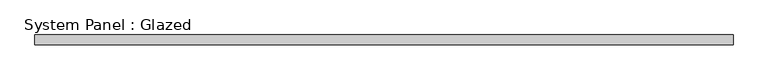
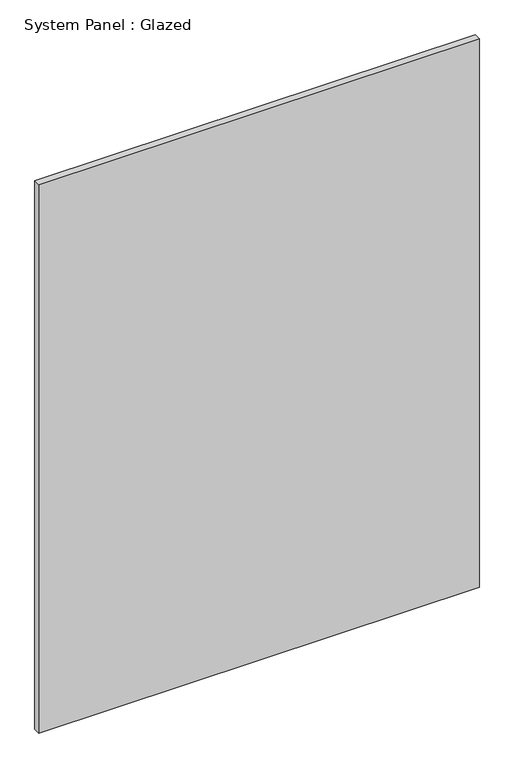
"""IFC4 building model written with IfcOpenShell, lengths in millimetres: plate geometry, System Panel : Glazed."""

import ifcopenshell
import ifcopenshell.guid

model = None  # the IFC model being written
_history = None  # IfcOwnerHistory: only IFC2X3 demands one
_inside = {}  # id of a spatial element -> (the spatial element, [elements in it])
_under = {}  # id of a project, library or spatial element -> (it, [spatial elements below it])
_declared = {}  # id of a project -> (the project, [libraries it declares])
_typed = {}  # id of a type object -> (the type object, [elements of that type])
_made_of = {}  # id of a material, layer set ... -> (it, [elements and type objects made of it])


def new_model(schema):
    """Start an empty IFC model of exactly this schema.

    Asked for "IFC4X3", IfcOpenShell would pick the latest addendum, in which some entities
    have other attributes; the version numbers below select the first issue.
    IFC2X3 requires an IfcOwnerHistory on every rooted entity: one is made here for all.
    """
    global model, _history
    if schema == "IFC4X3":
        model = ifcopenshell.file(schema_version=(4, 3, 0, 0))
    else:
        model = ifcopenshell.file(schema=schema)
    _inside.clear()
    _under.clear()
    _declared.clear()
    _typed.clear()
    _made_of.clear()
    _history = None
    if model.schema == "IFC2X3":
        org = make("IfcOrganization", Name="unknown")
        user = make(
            "IfcPersonAndOrganization",
            ThePerson=make("IfcPerson", FamilyName="unknown"),
            TheOrganization=org,
        )
        app = make(
            "IfcApplication",
            ApplicationDeveloper=org,
            Version="unknown",
            ApplicationFullName="unknown",
            ApplicationIdentifier="unknown",
        )
        _history = make(
            "IfcOwnerHistory",
            OwningUser=user,
            OwningApplication=app,
            ChangeAction="ADDED",
            CreationDate=0,
        )
    return model


def make(cls, **values):
    """One entity of the class cls with the attributes given. An attribute that is None is left unset."""
    return model.create_entity(
        cls, **{name: value for name, value in values.items() if value is not None}
    )


def rooted(cls, **values):
    """An entity with a GlobalId (a new one), such as an element, a storey or a relation."""
    return make(cls, GlobalId=ifcopenshell.guid.new(), OwnerHistory=_history, **values)


def si_unit(unit_type, name, prefix=None):
    """IfcSIUnit, for example si_unit("LENGTHUNIT", "METRE", prefix="MILLI")."""
    return make("IfcSIUnit", UnitType=unit_type, Prefix=prefix, Name=name)


def assignment(units):
    """IfcUnitAssignment: the units of a project."""
    return None if units is None else make("IfcUnitAssignment", Units=units)


def point(xyz):
    """IfcCartesianPoint."""
    return None if xyz is None else make("IfcCartesianPoint", Coordinates=xyz)


def direction(xyz):
    """IfcDirection."""
    return None if xyz is None else make("IfcDirection", DirectionRatios=xyz)


def frame(location, z_axis=None, x_axis=None):
    """IfcAxis2Placement3D, a coordinate frame: its origin and axes. An axis left out is left unset."""
    return make(
        "IfcAxis2Placement3D",
        Location=point(location),
        Axis=direction(z_axis),
        RefDirection=direction(x_axis),
    )


def origin():
    """The frame at (0, 0, 0) with its axes left unset."""
    return frame((0.0, 0.0, 0.0))


def origin_with_axes():
    """The frame at (0, 0, 0) with the z axis (0, 0, 1) and the x axis (1, 0, 0) written out."""
    return frame((0.0, 0.0, 0.0), z_axis=(0.0, 0.0, 1.0), x_axis=(1.0, 0.0, 0.0))


def place(relative_to, where):
    """IfcLocalPlacement: puts the frame where relative to a parent placement (None: the world)."""
    return make(
        "IfcLocalPlacement", PlacementRelTo=relative_to, RelativePlacement=where
    )


def context(
    kind, dimensions, precision=None, world=None, true_north=None, identifier=None
):
    """IfcGeometricRepresentationContext, for example the 3D "Model" context."""
    return make(
        "IfcGeometricRepresentationContext",
        ContextIdentifier=identifier,
        ContextType=kind,
        CoordinateSpaceDimension=dimensions,
        Precision=precision,
        WorldCoordinateSystem=world,
        TrueNorth=true_north,
    )


def project(units=None, contexts=None):
    """IfcProject with its units and contexts."""
    return rooted(
        "IfcProject",
        Name="project",
        RepresentationContexts=contexts,
        UnitsInContext=assignment(units),
    )


def spatial(cls, under=None, at=None, **own):
    """A site, building, storey or space (cls), placed at a placement, below another one or the project."""
    s = rooted(cls, ObjectPlacement=at, **own)
    if under is not None:
        _under.setdefault(under.id(), (under, []))[1].append(s)
    return s


def polyline(points):
    """IfcPolyline through the points."""
    return make("IfcPolyline", Points=[point(p) for p in points])


def outline(outer, holes=None, kind="AREA"):
    """IfcArbitraryClosedProfileDef: a profile drawn as a closed curve; with holes, ...WithVoids."""
    if holes is None:
        return make("IfcArbitraryClosedProfileDef", ProfileType=kind, OuterCurve=outer)
    return make(
        "IfcArbitraryProfileDefWithVoids",
        ProfileType=kind,
        OuterCurve=outer,
        InnerCurves=holes,
    )


def extrude(swept, where, along, depth):
    """IfcExtrudedAreaSolid: the profile swept, set in the frame where, extruded along a direction by depth."""
    return make(
        "IfcExtrudedAreaSolid",
        SweptArea=swept,
        Position=where,
        ExtrudedDirection=direction(along),
        Depth=depth,
    )


def shape(context_of_items, identifier, shape_type, items):
    """IfcShapeRepresentation: the items that make up one representation, for example the "Body"."""
    return make(
        "IfcShapeRepresentation",
        ContextOfItems=context_of_items,
        RepresentationIdentifier=identifier,
        RepresentationType=shape_type,
        Items=items,
    )


def source(mapping_origin, context_of_items, identifier, shape_type, items):
    """IfcRepresentationMap: a shape defined once, which mapped items show again and again."""
    return make(
        "IfcRepresentationMap",
        MappingOrigin=mapping_origin,
        MappedRepresentation=shape(context_of_items, identifier, shape_type, items),
    )


def transform(
    local_origin,
    x_axis=None,
    y_axis=None,
    z_axis=None,
    scale=None,
    scale2=None,
    scale3=None,
    uniform=True,
):
    """IfcCartesianTransformationOperator3D, or its non-uniform kind. x_axis, y_axis, z_axis: its Axis1, 2, 3."""
    if uniform:
        return make(
            "IfcCartesianTransformationOperator3D",
            Axis1=direction(x_axis),
            Axis2=direction(y_axis),
            LocalOrigin=point(local_origin),
            Scale=scale,
            Axis3=direction(z_axis),
        )
    return make(
        "IfcCartesianTransformationOperator3DnonUniform",
        Axis1=direction(x_axis),
        Axis2=direction(y_axis),
        LocalOrigin=point(local_origin),
        Scale=scale,
        Axis3=direction(z_axis),
        Scale2=scale2,
        Scale3=scale3,
    )


def mapped(mapping_source, mapping_target):
    """IfcMappedItem: shows the shape of a source again, moved by a transform."""
    return make(
        "IfcMappedItem", MappingSource=mapping_source, MappingTarget=mapping_target
    )


def made_of(thing, what):
    """Note that an element or type object is made of a material, layer set ...; save() writes the relation."""
    if what is not None:
        _made_of.setdefault(what.id(), (what, []))[1].append(thing)
    return thing


def element(
    cls,
    number,
    at=None,
    inside=None,
    cuts=None,
    type_object=None,
    material=None,
    context=None,
    identifier="Body",
    shape_type=None,
    held_by="IfcProductDefinitionShape",
    body=None,
    shapes=None,
    **own,
):
    """One element of the class cls, such as IfcWall. Its Tag is "e" and its number.

    at: its placement. inside: the storey or other place that contains it. cuts: it is an
    opening in that element (IfcRelVoidsElement). A single representation is given by context,
    identifier, shape_type and body (its items); several are given by shapes. held_by: the class
    of the entity that holds the representations. save() writes the other relations.
    """
    e = rooted(cls, Tag="e%d" % number, ObjectPlacement=at, **own)
    if body is not None:
        shapes = [shape(context, identifier, shape_type, body)]
    if shapes is not None:
        e.Representation = make(held_by, Representations=shapes)
    if inside is not None:
        _inside.setdefault(inside.id(), (inside, []))[1].append(e)
    if cuts is not None:
        rooted(
            "IfcRelVoidsElement", RelatingBuildingElement=cuts, RelatedOpeningElement=e
        )
    if type_object is not None:
        _typed.setdefault(type_object.id(), (type_object, []))[1].append(e)
    return made_of(e, material)


def aggregate(whole, parts):
    """IfcRelAggregates: a whole, such as a stair, and the parts it consists of."""
    return rooted("IfcRelAggregates", RelatingObject=whole, RelatedObjects=parts)


def save(model, path):
    """Write the relations noted so far, then the file.

    IfcRelAggregates (storeys below a building ...), IfcRelContainedInSpatialStructure (elements
    in a storey), IfcRelDefinesByType, IfcRelAssociatesMaterial and IfcRelDeclares: one each for
    every whole, place, type object, material and project.
    """
    for whole, parts in _under.values():
        aggregate(whole, parts)
    for where, things in _inside.values():
        rooted(
            "IfcRelContainedInSpatialStructure",
            RelatedElements=things,
            RelatingStructure=where,
        )
    for kind, things in _typed.values():
        rooted("IfcRelDefinesByType", RelatedObjects=things, RelatingType=kind)
    for what, things in _made_of.values():
        rooted("IfcRelAssociatesMaterial", RelatedObjects=things, RelatingMaterial=what)
    for by, libraries in _declared.values():
        rooted("IfcRelDeclares", RelatingContext=by, RelatedDefinitions=libraries)
    model.write(path)


def system_panel_glazed_79499db8(model_context):
    return source(origin(), model_context, "Body", "SweptSolid", [
        extrude(outline(polyline([(889.0, 19.05), (-889.0, 19.05), (-889.0, 44.45), (889.0, 44.45), (889.0, 19.05)])), origin_with_axes(), (0.0, 0.0, 1.0), 2338.1426667),
    ])


if __name__ == "__main__":
    model = new_model("IFC4")
    model_context = context("Model", 3, world=origin())
    ifc_project = project(units=[si_unit("LENGTHUNIT", "METRE", prefix="MILLI")], contexts=[model_context])
    site = spatial("IfcSite", under=ifc_project)
    building = spatial("IfcBuilding", under=site)
    placement = place(None, origin())
    system_panel_glazed_shape = system_panel_glazed_79499db8(model_context)
    element("IfcPlate", 1, ObjectType="System Panel : Glazed", at=placement, inside=building, context=model_context, shape_type="MappedRepresentation", body=[
        mapped(system_panel_glazed_shape, transform((0.0, 0.0, 0.0), x_axis=(1.0, 0.0, 0.0), y_axis=(0.0, 1.0, 0.0), z_axis=(0.0, 0.0, 1.0))),
    ])
    save(model, "model.ifc")
